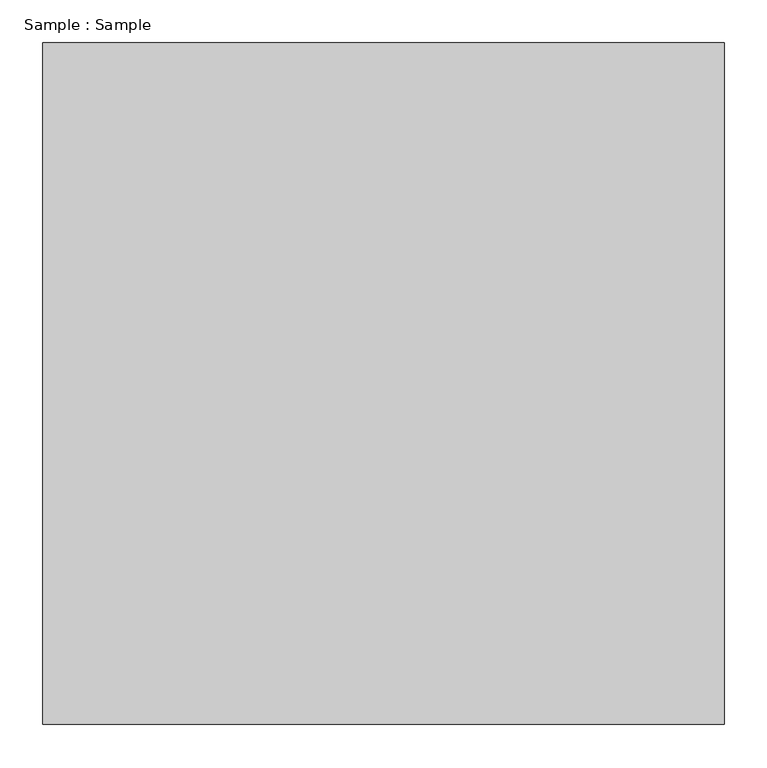
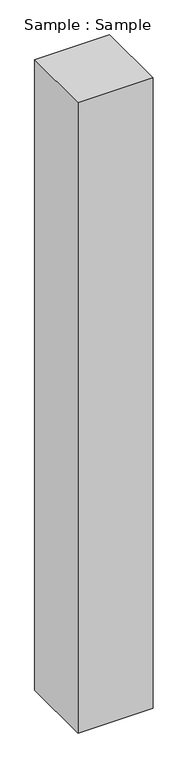
"""IFC4 building model written with IfcOpenShell, lengths in millimetres: proxy geometry, Sample : Sample."""

from ifc_helpers import new_model, si_unit, origin, origin_with_axes, place, context, project, spatial, polyline, outline, extrude, source, transform, mapped, element, save


def sample_sample_5e37393f(model_context):
    return source(origin(), model_context, "Body", "SweptSolid", [
        extrude(outline(polyline([(400.0, 400.0), (400.0, -400.0), (-400.0, -400.0), (-400.0, 400.0), (400.0, 400.0)])), origin_with_axes(), (0.0, 0.0, 1.0), 7103.4482759),
    ])


if __name__ == "__main__":
    model = new_model("IFC4")
    model_context = context("Model", 3, world=origin())
    ifc_project = project(units=[si_unit("LENGTHUNIT", "METRE", prefix="MILLI")], contexts=[model_context])
    site = spatial("IfcSite", under=ifc_project)
    building = spatial("IfcBuilding", under=site)
    placement = place(None, origin())
    sample_sample_shape = sample_sample_5e37393f(model_context)
    element("IfcBuildingElementProxy", 1, Name="Sample : Sample", ObjectType="Sample : Sample", at=placement, inside=building, context=model_context, shape_type="MappedRepresentation", body=[
        mapped(sample_sample_shape, transform((0.0, 0.0, 0.0), x_axis=(1.0, 0.0, 0.0), y_axis=(0.0, 1.0, 0.0), z_axis=(0.0, 0.0, 1.0))),
    ])
    save(model, "model.ifc")
